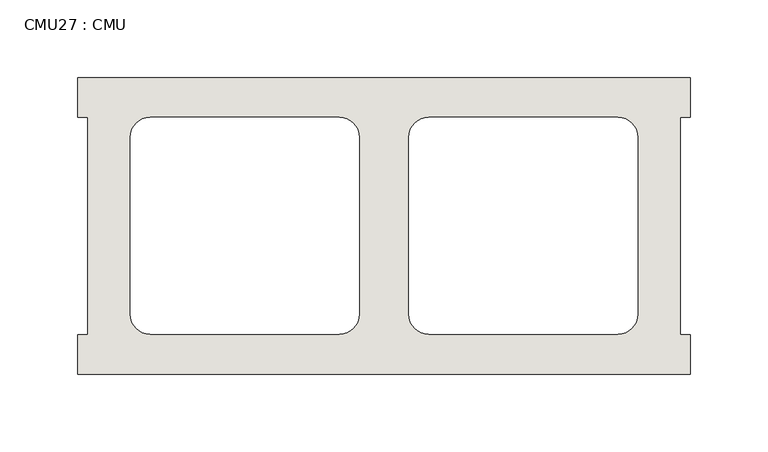
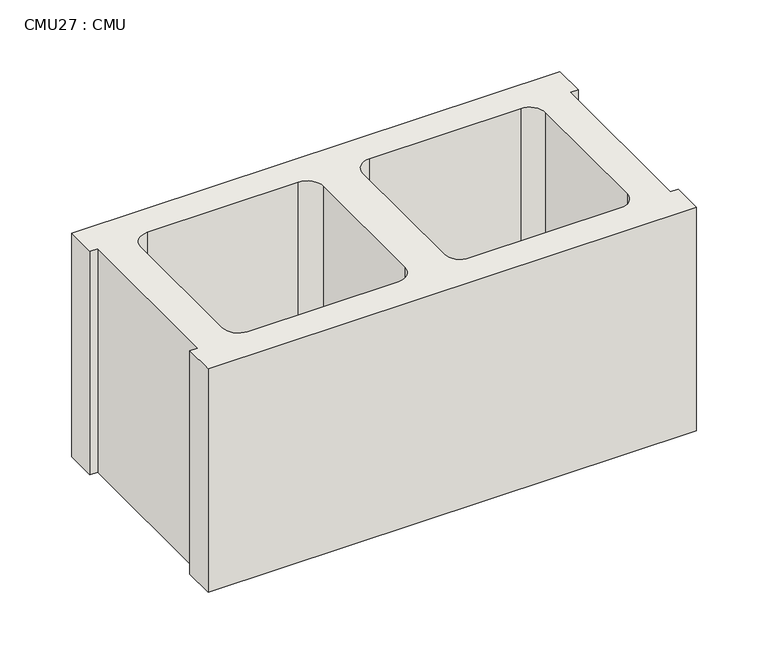
"""IFC4 building model written with IfcOpenShell, lengths in millimetres: wall geometry, CMU27 : CMU."""

from ifc_helpers import new_model, si_unit, point, frame_2d, origin, origin_with_axes, place, context, project, spatial, polyline, circle_curve, trimmed, segment, composite_curve, outline, extrude, source, transform, mapped, element, save


def cmu27_cmu_68b61029(model_context):
    return source(origin(), model_context, "Body", "SweptSolid", [
        extrude(outline(polyline([(571.2060968, 2871.3003704), (964.9060968, 2871.3003704), (964.9060968, 2845.9003704), (958.5560968, 2845.9003704), (958.5560968, 2706.2003704), (964.9060968, 2706.2003704), (964.9060968, 2680.8003704), (571.2060968, 2680.8003704), (571.2060968, 2706.2003704), (577.5560968, 2706.2003704), (577.5560968, 2845.9003704), (571.2060968, 2845.9003704), (571.2060968, 2871.3003704)]), holes=[composite_curve([segment(polyline([(739.3740955, 2845.9003704), (617.6574454, 2845.9003704)]), True, "CONTINUOUS"), segment(trimmed(circle_curve(frame_2d((617.6574454, 2833.2003704)), 12.7), [point((617.6574454, 2845.9003704))], [point((604.9574454, 2833.2003704))], True, "CARTESIAN"), True, "CONTINUOUS"), segment(polyline([(604.9574454, 2833.2003704), (604.9574454, 2719.1345307)]), True, "CONTINUOUS"), segment(trimmed(circle_curve(frame_2d((617.6574454, 2719.1345307)), 12.7), [point((604.9574454, 2719.1345307))], [point((617.6574454, 2706.4345307))], True, "CARTESIAN"), True, "CONTINUOUS"), segment(polyline([(617.6574454, 2706.4345307), (739.3740955, 2706.4345307)]), True, "CONTINUOUS"), segment(trimmed(circle_curve(frame_2d((739.3740955, 2719.1345307)), 12.7), [point((739.3740955, 2706.4345307))], [point((752.0740955, 2719.1345307))], True, "CARTESIAN"), True, "CONTINUOUS"), segment(polyline([(752.0740955, 2719.1345307), (752.0740955, 2833.2003704)]), True, "CONTINUOUS"), segment(trimmed(circle_curve(frame_2d((739.3740955, 2833.2003704)), 12.7), [point((752.0740955, 2833.2003704))], [point((739.3740955, 2845.9003704))], True, "CARTESIAN"), True, "CONTINUOUS")], self_intersect=False), composite_curve([segment(trimmed(circle_curve(frame_2d((796.7380982, 2833.2003704)), 12.7), [point((796.7380982, 2845.9003704))], [point((784.0380982, 2833.2003704))], True, "CARTESIAN"), True, "CONTINUOUS"), segment(polyline([(784.0380982, 2833.2003704), (784.0380982, 2719.1345307)]), True, "CONTINUOUS"), segment(trimmed(circle_curve(frame_2d((796.7380982, 2719.1345307)), 12.7), [point((784.0380982, 2719.1345307))], [point((796.7380982, 2706.4345307))], True, "CARTESIAN"), True, "CONTINUOUS"), segment(polyline([(796.7380982, 2706.4345307), (918.4547483, 2706.4345307)]), True, "CONTINUOUS"), segment(trimmed(circle_curve(frame_2d((918.4547483, 2719.1345307)), 12.7), [point((918.4547483, 2706.4345307))], [point((931.1547483, 2719.1345307))], True, "CARTESIAN"), True, "CONTINUOUS"), segment(polyline([(931.1547483, 2719.1345307), (931.1547483, 2833.2003704)]), True, "CONTINUOUS"), segment(trimmed(circle_curve(frame_2d((918.4547483, 2833.2003704)), 12.7), [point((931.1547483, 2833.2003704))], [point((918.4547483, 2845.9003704))], True, "CARTESIAN"), True, "CONTINUOUS"), segment(polyline([(918.4547483, 2845.9003704), (796.7380982, 2845.9003704)]), True, "CONTINUOUS")], self_intersect=False)]), origin_with_axes(), (0.0, 0.0, 1.0), 190.5),
    ])


if __name__ == "__main__":
    model = new_model("IFC4")
    model_context = context("Model", 3, world=origin())
    ifc_project = project(units=[si_unit("LENGTHUNIT", "METRE", prefix="MILLI")], contexts=[model_context])
    site = spatial("IfcSite", under=ifc_project)
    building = spatial("IfcBuilding", under=site)
    placement = place(None, origin())
    cmu27_cmu_shape = cmu27_cmu_68b61029(model_context)
    element("IfcWall", 1, ObjectType="CMU27 : CMU", at=placement, inside=building, context=model_context, shape_type="MappedRepresentation", body=[
        mapped(cmu27_cmu_shape, transform((0.0, 0.0, 0.0), x_axis=(1.0, 0.0, 0.0), y_axis=(0.0, 1.0, 0.0), z_axis=(0.0, 0.0, 1.0))),
    ])
    save(model, "model.ifc")
